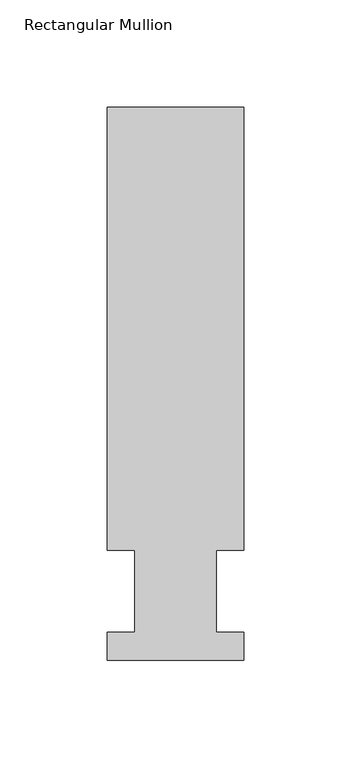
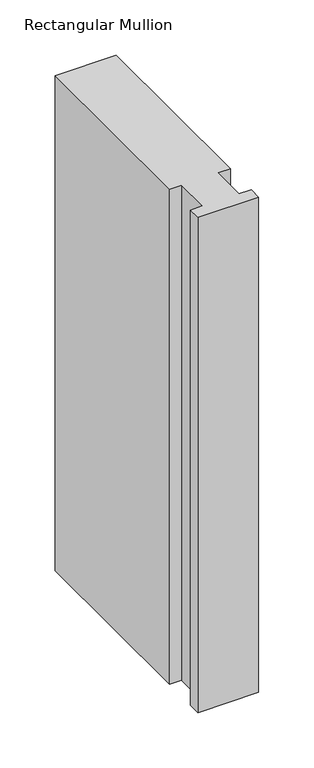
"""IFC4 building model written with IfcOpenShell, lengths in millimetres: member geometry, Rectangular Mullion."""

from ifc_helpers import new_model, si_unit, frame, origin, place, context, project, spatial, polyline, outline, extrude, source, transform, mapped, element, save


def rectangular_mullion_46bdd3c9(model_context):
    return source(origin(), model_context, "Body", "SweptSolid", [
        extrude(outline(polyline([(-63.5, 89.5945313), (-63.5, 295.9695313), (0.0, 295.9695312), (0.0, 89.5945312), (-12.7, 89.5945313), (-12.7, 51.4945313), (0.0, 51.4945313), (0.0, 38.3119312), (-63.5, 38.3119313), (-63.5, 51.4945313), (-50.8, 51.4945313), (-50.8, 89.5945312), (-63.5, 89.5945313)])), frame((0.0, 0.0, -546.1), z_axis=(0.0, 0.0, 1.0), x_axis=(1.0, 0.0, 0.0)), (0.0, 0.0, 1.0), 546.1),
    ])


if __name__ == "__main__":
    model = new_model("IFC4")
    model_context = context("Model", 3, world=origin())
    ifc_project = project(units=[si_unit("LENGTHUNIT", "METRE", prefix="MILLI")], contexts=[model_context])
    site = spatial("IfcSite", under=ifc_project)
    building = spatial("IfcBuilding", under=site)
    placement = place(None, origin())
    rectangular_mullion_shape = rectangular_mullion_46bdd3c9(model_context)
    element("IfcMember", 1, ObjectType="Rectangular Mullion", at=placement, inside=building, context=model_context, shape_type="MappedRepresentation", body=[
        mapped(rectangular_mullion_shape, transform((0.0, 0.0, 0.0), x_axis=(1.0, 0.0, 0.0), y_axis=(0.0, 1.0, 0.0), z_axis=(0.0, 0.0, 1.0))),
    ])
    save(model, "model.ifc")
